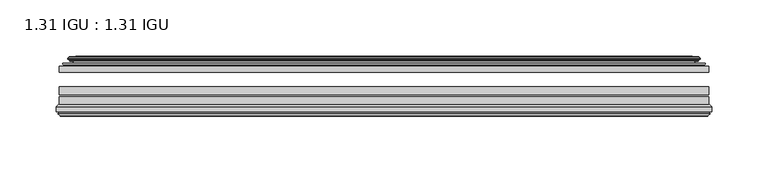
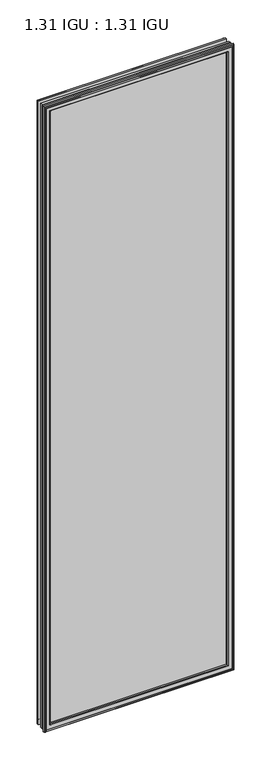
"""IFC4 building model written with IfcOpenShell, lengths in millimetres: plate geometry, 1.31 IGU : 1.31 IGU."""

from ifc_helpers import new_model, si_unit, frame, origin, place, context, project, spatial, polyline, ellipse_curve, outline, extrude, source, transform, mapped, element, save
from ifc_brep_helpers import plane_surface, cylinder_surface, revolved_surface, advanced_brep


def plate_1_31_igu_1_31_igu_3d679c7c(model_context):
    return source(origin(), model_context, "Body", "SolidModel", [
        extrude(outline(polyline([(287.3325649, -44.8960875), (287.3325649, -50.4332875), (-287.3375, -50.4332875), (-287.3375, -44.8960875), (287.3325649, -44.8960875)])), frame((0.0, 0.0, -14.2875), z_axis=(0.0, 0.0, 1.0), x_axis=(1.0, 0.0, 0.0)), (0.0, 0.0, 1.0), 2009.67848),
        extrude(outline(polyline([(-287.3375, -78.7796875), (-287.3375, -71.7692875), (287.3325649, -71.7692875), (287.3325649, -78.7796875), (-287.3375, -78.7796875)])), frame((0.0, 0.0, -14.2875), z_axis=(0.0, 0.0, 1.0), x_axis=(1.0, 0.0, 0.0)), (0.0, 0.0, 1.0), 2009.67848),
        extrude(outline(polyline([(-287.3375, -70.2452875), (-287.3375, -63.1332875), (287.3325649, -63.1332875), (287.3325649, -70.2452875), (-287.3375, -70.2452875)])), frame((0.0, 0.0, -14.2875), z_axis=(0.0, 0.0, 1.0), x_axis=(1.0, 0.0, 0.0)), (0.0, 0.0, 1.0), 2009.67848),
        advanced_brep(
        [(-277.9921755, -37.7373382, 1986.0456555), (-273.0505426, -36.3108875, 1981.1040226), (-273.0505426, -36.3108875, -0.0005426), (-277.9921755, -37.7373382, -4.9421755), (-277.8270702, -36.9605789, 1985.8805502), (-277.8270702, -36.9605789, -4.7770702), (-278.4225559, -36.4771203, 1986.4760359), (-278.4225559, -36.4771203, -5.3725559), (-279.6871917, -37.766076, 1987.7406717), (-279.6871917, -37.766076, -6.6371917), (-279.6763749, -38.8797852, 1987.7298549), (-279.6763749, -38.8797852, -6.6263749), (-278.3948897, -40.1361433, 1986.4483697), (-278.3948897, -40.1361433, -5.3448897), (-277.7898829, -39.649943, 1985.8433629), (-277.7898829, -39.649943, -4.7398829), (-278.3438972, -39.0959287, 1986.3973772), (-278.3438972, -39.0959287, -5.2938972), (-276.0580887, -38.7029881, 1984.1115687), (-276.0580887, -38.7029881, -3.0080887), (-274.5990157, -40.2107282, 1982.6524957), (-274.5990157, -40.2107282, -1.5490157), (-274.8955976, -41.651269, 1982.9490776), (-274.8955976, -41.651269, -1.8455976), (-275.6668221, -42.2798875, 1983.7203021), (-275.6668221, -42.2798875, -2.6168221), (-283.9707984, -43.4871542, 1992.0242784), (-283.6955969, -42.2798875, 1991.7490769), (-283.6955969, -42.2798875, -10.6455969), (-283.9707984, -43.4871542, -10.9207984), (-280.5132297, -44.8960875, 1988.5667097), (-280.5132297, -44.8960875, -7.4632297), (-269.4156059, -44.023302, 1977.4690859), (-269.7709439, -44.8960875, 1977.8244239), (-269.7709439, -44.8960875, 3.2790561), (-269.4156059, -44.023302, 3.6343941), (-270.086804, -43.3681812, 1978.140284), (-270.086804, -43.3681812, 2.963196), (-271.7275946, -40.6686056, 1979.7810746), (-271.7275946, -40.6686056, 1.3224054), (273.0505426, -36.3108875, -0.0005426), (277.9921755, -37.7373382, -4.9421755), (277.8270702, -36.9605789, -4.7770702), (278.4225559, -36.4771203, -5.3725559), (279.6871917, -37.766076, -6.6371917), (279.6763749, -38.8797852, -6.6263749), (278.3948897, -40.1361433, -5.3448897), (277.7898829, -39.649943, -4.7398829), (278.3438972, -39.0959287, -5.2938972), (276.0580887, -38.7029881, -3.0080887), (274.5990157, -40.2107282, -1.5490157), (274.8955976, -41.651269, -1.8455976), (275.6668221, -42.2798875, -2.6168221), (283.6955969, -42.2798875, -10.6455969), (283.9707984, -43.4871542, -10.9207984), (280.5132297, -44.8960875, -7.4632297), (269.7709439, -44.8960875, 3.2790561), (269.4156059, -44.023302, 3.6343941), (270.086804, -43.3681812, 2.963196), (271.7275946, -40.6686056, 1.3224054), (273.0505426, -36.3108875, 1981.1040226), (277.9921755, -37.7373382, 1986.0456555), (277.8270702, -36.9605789, 1985.8805502), (278.4225559, -36.4771203, 1986.4760359), (279.6871917, -37.766076, 1987.7406717), (279.6763749, -38.8797852, 1987.7298549), (278.3948897, -40.1361433, 1986.4483697), (277.7898829, -39.649943, 1985.8433629), (278.3438972, -39.0959287, 1986.3973772), (276.0580887, -38.7029881, 1984.1115687), (274.5990157, -40.2107282, 1982.6524957), (274.8955976, -41.651269, 1982.9490776), (275.6668221, -42.2798875, 1983.7203021), (283.6955969, -42.2798875, 1991.7490769), (283.9707984, -43.4871542, 1992.0242784), (280.5132297, -44.8960875, 1988.5667097), (269.7709439, -44.8960875, 1977.8244239), (269.4156059, -44.023302, 1977.4690859), (270.086804, -43.3681812, 1978.140284), (271.7275946, -40.6686056, 1979.7810746)],
        [
            (0, 1),
            (1, 2),
            (2, 3),
            (3, 0),
            (4, 0),
            (3, 5),
            (5, 4),
            (6, 4, ellipse_curve(frame((-278.1475871, -36.746901, 1986.2010671), z_axis=(-0.7071067811865475, 0.0, -0.7071067811865475), x_axis=(-0.7071067811865474, 0.0, 0.7071067811865476)), 0.5447741, 0.3852135)),
            (5, 7, ellipse_curve(frame((-278.1475871, -36.746901, -5.0975871), z_axis=(-0.7071067811865475, 0.0, 0.7071067811865475), x_axis=(0.7071067811865474, 0.0, 0.7071067811865476)), 0.5447741, 0.3852135)),
            (7, 6),
            (8, 6),
            (7, 9),
            (9, 8),
            (10, 8, ellipse_curve(frame((-279.1251387, -38.3175243, 1987.1786187), z_axis=(-0.7071067811865475, 0.0, -0.7071067811865475), x_axis=(-0.7071067811865474, 0.0, 0.7071067811865476)), 1.1135518, 0.7874)),
            (9, 11, ellipse_curve(frame((-279.1251387, -38.3175243, -6.0751387), z_axis=(-0.7071067811865475, 0.0, 0.7071067811865475), x_axis=(0.7071067811865474, 0.0, 0.7071067811865476)), 1.1135518, 0.7874)),
            (11, 10),
            (12, 10),
            (11, 13),
            (13, 12),
            (14, 12, ellipse_curve(frame((-278.1212922, -39.8570738, 1986.1747722), z_axis=(-0.7071067811865475, 0.0, -0.7071067811865475), x_axis=(-0.7071067811865474, 0.0, 0.7071067811865476)), 0.552694, 0.3908137)),
            (13, 15, ellipse_curve(frame((-278.1212922, -39.8570738, -5.0712922), z_axis=(-0.7071067811865475, 0.0, 0.7071067811865475), x_axis=(0.7071067811865474, 0.0, 0.7071067811865476)), 0.552694, 0.3908137)),
            (15, 14),
            (16, 14),
            (15, 17),
            (17, 16),
            (18, 16),
            (17, 19),
            (19, 18),
            (20, 18, ellipse_curve(frame((-275.8429261, -39.954629, 1983.8964061), z_axis=(0.7071067811865475, 0.0, 0.7071067811865475), x_axis=(0.7071067811865474, 0.0, -0.7071067811865476)), 1.7960512, 1.27)),
            (19, 21, ellipse_curve(frame((-275.8429261, -39.954629, -2.7929261), z_axis=(0.7071067811865475, 0.0, -0.7071067811865475), x_axis=(-0.7071067811865474, 0.0, -0.7071067811865476)), 1.7960512, 1.27)),
            (21, 20),
            (22, 20),
            (21, 23),
            (23, 22),
            (24, 22, ellipse_curve(frame((-275.6668221, -41.4924875, 1983.7203021), z_axis=(0.7071067811865475, 0.0, 0.7071067811865475), x_axis=(0.7071067811865474, 0.0, -0.7071067811865476)), 1.1135518, 0.7874)),
            (23, 25, ellipse_curve(frame((-275.6668221, -41.4924875, -2.6168221), z_axis=(0.7071067811865475, 0.0, -0.7071067811865475), x_axis=(-0.7071067811865474, 0.0, -0.7071067811865476)), 1.1135518, 0.7874)),
            (25, 24),
            (26, 27, ellipse_curve(frame((-283.6955969, -42.9148875, 1991.7490769), z_axis=(-0.7071067811865475, 0.0, -0.7071067811865475), x_axis=(-0.7071067811865474, 0.0, 0.7071067811865476)), 0.8980256, 0.635)),
            (27, 28),
            (28, 29, ellipse_curve(frame((-283.6955969, -42.9148875, -10.6455969), z_axis=(-0.7071067811865475, 0.0, 0.7071067811865475), x_axis=(0.7071067811865474, 0.0, 0.7071067811865476)), 0.8980256, 0.635)),
            (29, 26),
            (30, 26),
            (29, 31),
            (31, 30),
            (32, 33, ellipse_curve(frame((-269.7709439, -44.3873602, 1977.8244239), z_axis=(-0.7071067811865475, 0.0, -0.7071067811865475), x_axis=(-0.7071067811865474, 0.0, 0.7071067811865476)), 0.719449, 0.5087273)),
            (33, 34),
            (34, 35, ellipse_curve(frame((-269.7709439, -44.3873602, 3.2790561), z_axis=(-0.7071067811865475, 0.0, 0.7071067811865475), x_axis=(0.7071067811865474, 0.0, 0.7071067811865476)), 0.719449, 0.5087273)),
            (35, 32),
            (36, 32),
            (35, 37),
            (37, 36),
            (38, 36, ellipse_curve(frame((-265.6514298, -38.823959, 1973.7049098), z_axis=(0.7071067811865475, 0.0, 0.7071067811865475), x_axis=(0.7071067811865474, 0.0, -0.7071067811865476)), 8.9802561, 6.35)),
            (37, 39, ellipse_curve(frame((-265.6514298, -38.823959, 7.3985702), z_axis=(0.7071067811865475, 0.0, -0.7071067811865475), x_axis=(-0.7071067811865474, 0.0, -0.7071067811865476)), 8.9802561, 6.35)),
            (39, 38),
            (1, 38),
            (39, 2),
            (2, 40),
            (40, 41),
            (41, 3),
            (41, 42),
            (42, 5),
            (42, 43, ellipse_curve(frame((278.1475871, -36.746901, -5.0975871), z_axis=(-0.7071067811865475, 0.0, -0.7071067811865475), x_axis=(-0.7071067811865476, 0.0, 0.7071067811865474)), 0.5447741, 0.3852135)),
            (43, 7),
            (43, 44),
            (44, 9),
            (44, 45, ellipse_curve(frame((279.1251387, -38.3175243, -6.0751387), z_axis=(-0.7071067811865475, 0.0, -0.7071067811865475), x_axis=(-0.7071067811865476, 0.0, 0.7071067811865474)), 1.1135518, 0.7874)),
            (45, 11),
            (45, 46),
            (46, 13),
            (46, 47, ellipse_curve(frame((278.1212922, -39.8570738, -5.0712922), z_axis=(-0.7071067811865475, 0.0, -0.7071067811865475), x_axis=(-0.7071067811865476, 0.0, 0.7071067811865474)), 0.552694, 0.3908137)),
            (47, 15),
            (47, 48),
            (48, 17),
            (48, 49),
            (49, 19),
            (49, 50, ellipse_curve(frame((275.8429261, -39.954629, -2.7929261), z_axis=(0.7071067811865475, 0.0, 0.7071067811865475), x_axis=(0.7071067811865476, 0.0, -0.7071067811865474)), 1.7960512, 1.27)),
            (50, 21),
            (50, 51),
            (51, 23),
            (51, 52, ellipse_curve(frame((275.6668221, -41.4924875, -2.6168221), z_axis=(0.7071067811865475, 0.0, 0.7071067811865475), x_axis=(0.7071067811865476, 0.0, -0.7071067811865474)), 1.1135518, 0.7874)),
            (52, 25),
            (28, 53),
            (53, 54, ellipse_curve(frame((283.6955969, -42.9148875, -10.6455969), z_axis=(-0.7071067811865475, 0.0, -0.7071067811865475), x_axis=(-0.7071067811865476, 0.0, 0.7071067811865474)), 0.8980256, 0.635)),
            (54, 29),
            (54, 55),
            (55, 31),
            (34, 56),
            (56, 57, ellipse_curve(frame((269.7709439, -44.3873602, 3.2790561), z_axis=(-0.7071067811865475, 0.0, -0.7071067811865475), x_axis=(-0.7071067811865476, 0.0, 0.7071067811865474)), 0.719449, 0.5087273)),
            (57, 35),
            (57, 58),
            (58, 37),
            (58, 59, ellipse_curve(frame((265.6514298, -38.823959, 7.3985702), z_axis=(0.7071067811865475, 0.0, 0.7071067811865475), x_axis=(0.7071067811865476, 0.0, -0.7071067811865474)), 8.9802561, 6.35)),
            (59, 39),
            (59, 40),
            (40, 60),
            (60, 61),
            (61, 41),
            (61, 62),
            (62, 42),
            (62, 63, ellipse_curve(frame((278.1475871, -36.746901, 1986.2010671), z_axis=(0.7071067811865475, 0.0, -0.7071067811865475), x_axis=(-0.7071067811865474, 0.0, -0.7071067811865476)), 0.5447741, 0.3852135)),
            (63, 43),
            (63, 64),
            (64, 44),
            (64, 65, ellipse_curve(frame((279.1251387, -38.3175243, 1987.1786187), z_axis=(0.7071067811865475, 0.0, -0.7071067811865475), x_axis=(-0.7071067811865474, 0.0, -0.7071067811865476)), 1.1135518, 0.7874)),
            (65, 45),
            (65, 66),
            (66, 46),
            (66, 67, ellipse_curve(frame((278.1212922, -39.8570738, 1986.1747722), z_axis=(0.7071067811865475, 0.0, -0.7071067811865475), x_axis=(-0.7071067811865474, 0.0, -0.7071067811865476)), 0.552694, 0.3908137)),
            (67, 47),
            (67, 68),
            (68, 48),
            (68, 69),
            (69, 49),
            (69, 70, ellipse_curve(frame((275.8429261, -39.954629, 1983.8964061), z_axis=(-0.7071067811865475, 0.0, 0.7071067811865475), x_axis=(0.7071067811865474, 0.0, 0.7071067811865476)), 1.7960512, 1.27)),
            (70, 50),
            (70, 71),
            (71, 51),
            (71, 72, ellipse_curve(frame((275.6668221, -41.4924875, 1983.7203021), z_axis=(-0.7071067811865475, 0.0, 0.7071067811865475), x_axis=(0.7071067811865474, 0.0, 0.7071067811865476)), 1.1135518, 0.7874)),
            (72, 52),
            (53, 73),
            (73, 74, ellipse_curve(frame((283.6955969, -42.9148875, 1991.7490769), z_axis=(0.7071067811865475, 0.0, -0.7071067811865475), x_axis=(-0.7071067811865474, 0.0, -0.7071067811865476)), 0.8980256, 0.635)),
            (74, 54),
            (74, 75),
            (75, 55),
            (56, 76),
            (76, 77, ellipse_curve(frame((269.7709439, -44.3873602, 1977.8244239), z_axis=(0.7071067811865475, 0.0, -0.7071067811865475), x_axis=(-0.7071067811865474, 0.0, -0.7071067811865476)), 0.719449, 0.5087273)),
            (77, 57),
            (77, 78),
            (78, 58),
            (78, 79, ellipse_curve(frame((265.6514298, -38.823959, 1973.7049098), z_axis=(-0.7071067811865475, 0.0, 0.7071067811865475), x_axis=(0.7071067811865474, 0.0, 0.7071067811865476)), 8.9802561, 6.35)),
            (79, 59),
            (79, 60),
            (60, 1),
            (0, 61),
            (4, 62),
            (6, 63),
            (8, 64),
            (10, 65),
            (12, 66),
            (14, 67),
            (16, 68),
            (18, 69),
            (20, 70),
            (22, 71),
            (24, 72),
            (27, 73),
            (26, 74),
            (30, 75),
            (33, 76),
            (32, 77),
            (36, 78),
            (38, 79),
        ],
        [
            plane_surface(frame((-273.0505426, -36.3108875, 1981.1040226), z_axis=(-0.2773364928492854, 0.9607728502273877, 0.0), x_axis=(0.0, 0.0, -1.0))),
            plane_surface(frame((-277.9921755, -37.7373382, 1986.0456555), z_axis=(0.9781476007338358, -0.20791169081761768, 0.0), x_axis=(0.0, 0.0, -1.0))),
            cylinder_surface(frame((-278.1475871, -36.746901, 2012.85348), z_axis=(0.0, 0.0, 1.0), x_axis=(-1.0, 0.0, 0.0)), 0.3852135),
            plane_surface(frame((-278.4225559, -36.4771203, 1986.4760359), z_axis=(-0.7138087599382162, 0.7003406701280928, 0.0), x_axis=(0.0, 0.0, -1.0))),
            cylinder_surface(frame((-279.1251387, -38.3175243, 2012.85348), z_axis=(0.0, 0.0, 1.0), x_axis=(-1.0, 0.0, 0.0)), 0.7874),
            plane_surface(frame((-279.6763749, -38.8797852, 1987.7298549), z_axis=(-0.7000714109283732, -0.7140728391423082, 0.0), x_axis=(0.0, 0.0, -1.0))),
            cylinder_surface(frame((-278.1212922, -39.8570738, 2012.85348), z_axis=(0.0, 0.0, 1.0), x_axis=(-1.0, 0.0, 0.0)), 0.3908137),
            plane_surface(frame((-277.7898829, -39.649943, 1985.8433629), z_axis=(0.7071067811861126, 0.7071067811869826, 0.0), x_axis=(0.0, 0.0, -1.0))),
            plane_surface(frame((-278.3438972, -39.0959287, 1986.3973772), z_axis=(0.16941940671011485, -0.9855440449974789, 0.0), x_axis=(0.0, 0.0, -1.0))),
            revolved_surface(polyline([(-277.1129261, -39.954629, -4.062926082878221), (-277.1129261, -39.954629, 1985.1664060828782)]), (-275.8429261, -39.954629, 2012.85348), (0.0, 0.0, -1.0)),
            plane_surface(frame((-274.5990157, -40.2107282, 1982.6524957), z_axis=(-0.9794570432566897, 0.201652920670302, 0.0), x_axis=(0.0, 0.0, -1.0))),
            revolved_surface(polyline([(-276.4542221, -41.4924875, -3.4042221289826102), (-276.4542221, -41.4924875, 1984.5077021289826)]), (-275.6668221, -41.4924875, 2012.85348), (0.0, 0.0, -1.0)),
            cylinder_surface(frame((-283.6955969, -42.9148875, 2012.85348), z_axis=(0.0, 0.0, 1.0), x_axis=(-1.0, 0.0, 0.0)), 0.635),
            plane_surface(frame((-283.9707984, -43.4871542, 1992.0242784), z_axis=(-0.37736447542757934, -0.9260648209954139, 0.0), x_axis=(0.0, 0.0, -1.0))),
            cylinder_surface(frame((-269.7709439, -44.3873602, 2012.85348), z_axis=(0.0, 0.0, 1.0), x_axis=(-1.0, 0.0, 0.0)), 0.5087273),
            plane_surface(frame((-269.4156059, -44.023302, 1977.4690859), z_axis=(0.698484125849927, 0.7156255486884628, 0.0), x_axis=(0.0, 0.0, -1.0))),
            revolved_surface(polyline([(-272.00142980000004, -38.823959, 1.0485702148980636), (-272.00142980000004, -38.823959, 1980.054909785102)]), (-265.6514298, -38.823959, 2012.85348), (0.0, 0.0, -1.0)),
            plane_surface(frame((-271.7275946, -40.6686056, 1979.7810746), z_axis=(0.9568763473517009, 0.2904955350411896, 0.0), x_axis=(0.0, 0.0, -1.0))),
            plane_surface(frame((-273.0505426, -36.3108875, -0.0005426), z_axis=(0.0, 0.9607728502273868, -0.2773364928492885), x_axis=(1.0, 0.0, 0.0))),
            plane_surface(frame((-277.9921755, -37.7373382, -4.9421755), z_axis=(0.0, -0.20791169081761454, 0.9781476007338364), x_axis=(1.0, 0.0, 0.0))),
            cylinder_surface(frame((-304.8, -36.746901, -5.0975871), z_axis=(-1.0, 0.0, 0.0), x_axis=(0.0, 0.0, -1.0)), 0.3852135),
            plane_surface(frame((-278.4225559, -36.4771203, -5.3725559), z_axis=(0.0, 0.7003406701280904, -0.7138087599382185), x_axis=(1.0, 0.0, 0.0))),
            cylinder_surface(frame((-304.8, -38.3175243, -6.0751387), z_axis=(-1.0, 0.0, 0.0), x_axis=(0.0, 0.0, -1.0)), 0.7874),
            plane_surface(frame((-279.6763749, -38.8797852, -6.6263749), z_axis=(0.0, -0.7140728391423105, -0.7000714109283709), x_axis=(1.0, 0.0, 0.0))),
            cylinder_surface(frame((-304.8, -39.8570738, -5.0712922), z_axis=(-1.0, 0.0, 0.0), x_axis=(0.0, 0.0, -1.0)), 0.3908137),
            plane_surface(frame((-277.7898829, -39.649943, -4.7398829), z_axis=(0.0, 0.7071067811869849, 0.7071067811861103), x_axis=(1.0, 0.0, 0.0))),
            plane_surface(frame((-278.3438972, -39.0959287, -5.2938972), z_axis=(0.0, -0.9855440449974784, 0.16941940671011801), x_axis=(1.0, 0.0, 0.0))),
            revolved_surface(polyline([(277.11292608287835, -39.954629, -4.0629261), (-277.11292608287823, -39.954629, -4.0629261)]), (-304.8, -39.954629, -2.7929261), (1.0, 0.0, 0.0)),
            plane_surface(frame((-274.5990157, -40.2107282, -1.5490157), z_axis=(0.0, 0.20165292067029883, -0.9794570432566904), x_axis=(1.0, 0.0, 0.0))),
            revolved_surface(polyline([(276.4542221289824, -41.4924875, -3.4042220999999997), (-276.45422212898245, -41.4924875, -3.4042220999999997)]), (-304.8, -41.4924875, -2.6168221), (1.0, 0.0, 0.0)),
            cylinder_surface(frame((-304.8, -42.9148875, -10.6455969), z_axis=(-1.0, 0.0, 0.0), x_axis=(0.0, 0.0, -1.0)), 0.635),
            plane_surface(frame((-283.9707984, -43.4871542, -10.9207984), z_axis=(0.0, -0.9260648209954151, -0.37736447542757634), x_axis=(1.0, 0.0, 0.0))),
            cylinder_surface(frame((-304.8, -44.3873602, 3.2790561), z_axis=(-1.0, 0.0, 0.0), x_axis=(0.0, 0.0, -1.0)), 0.5087273),
            plane_surface(frame((-269.4156059, -44.023302, 3.6343941), z_axis=(0.0, 0.7156255486884651, 0.6984841258499247), x_axis=(1.0, 0.0, 0.0))),
            revolved_surface(polyline([(272.00142978510183, -38.823959, 1.0485702000000003), (-272.0014297851019, -38.823959, 1.0485702000000003)]), (-304.8, -38.823959, 7.3985702), (1.0, 0.0, 0.0)),
            plane_surface(frame((-271.7275946, -40.6686056, 1.3224054), z_axis=(0.0, 0.29049553504119263, 0.9568763473517), x_axis=(1.0, 0.0, 0.0))),
            plane_surface(frame((273.0505426, -36.3108875, -0.0005426), z_axis=(0.2773364928492916, 0.9607728502273859, 0.0), x_axis=(0.0, 0.0, 1.0))),
            plane_surface(frame((277.9921755, -37.7373382, -4.9421755), z_axis=(-0.9781476007338371, -0.2079116908176114, 0.0), x_axis=(0.0, 0.0, 1.0))),
            cylinder_surface(frame((278.1475871, -36.746901, -31.75), z_axis=(0.0, 0.0, -1.0), x_axis=(1.0, 0.0, 0.0)), 0.3852135),
            plane_surface(frame((278.4225559, -36.4771203, -5.3725559), z_axis=(0.7138087599382208, 0.7003406701280882, 0.0), x_axis=(0.0, 0.0, 1.0))),
            cylinder_surface(frame((279.1251387, -38.3175243, -31.75), z_axis=(0.0, 0.0, -1.0), x_axis=(1.0, 0.0, 0.0)), 0.7874),
            plane_surface(frame((279.6763749, -38.8797852, -6.6263749), z_axis=(0.7000714109283687, -0.7140728391423128, 0.0), x_axis=(0.0, 0.0, 1.0))),
            cylinder_surface(frame((278.1212922, -39.8570738, -31.75), z_axis=(0.0, 0.0, -1.0), x_axis=(1.0, 0.0, 0.0)), 0.3908137),
            plane_surface(frame((277.7898829, -39.649943, -4.7398829), z_axis=(-0.7071067811861079, 0.7071067811869872, 0.0), x_axis=(0.0, 0.0, 1.0))),
            plane_surface(frame((278.3438972, -39.0959287, -5.2938972), z_axis=(-0.16941940671012118, -0.9855440449974778, 0.0), x_axis=(0.0, 0.0, 1.0))),
            revolved_surface(polyline([(277.1129261, -39.954629, 1985.1664060828782), (277.1129261, -39.954629, -4.062926082878235)]), (275.8429261, -39.954629, -31.75), (0.0, 0.0, 1.0)),
            plane_surface(frame((274.5990157, -40.2107282, -1.5490157), z_axis=(0.979457043256691, 0.20165292067029567, 0.0), x_axis=(0.0, 0.0, 1.0))),
            revolved_surface(polyline([(276.4542221, -41.4924875, 1984.5077021289826), (276.4542221, -41.4924875, -3.404222128982486)]), (275.6668221, -41.4924875, -31.75), (0.0, 0.0, 1.0)),
            cylinder_surface(frame((283.6955969, -42.9148875, -31.75), z_axis=(0.0, 0.0, -1.0), x_axis=(1.0, 0.0, 0.0)), 0.635),
            plane_surface(frame((283.9707984, -43.4871542, -10.9207984), z_axis=(0.37736447542757334, -0.9260648209954163, 0.0), x_axis=(0.0, 0.0, 1.0))),
            cylinder_surface(frame((269.7709439, -44.3873602, -31.75), z_axis=(0.0, 0.0, -1.0), x_axis=(1.0, 0.0, 0.0)), 0.5087273),
            plane_surface(frame((269.4156059, -44.023302, 3.6343941), z_axis=(-0.6984841258499224, 0.7156255486884673, 0.0), x_axis=(0.0, 0.0, 1.0))),
            revolved_surface(polyline([(272.00142980000004, -38.823959, 1980.054909785102), (272.00142980000004, -38.823959, 1.0485702148981417)]), (265.6514298, -38.823959, -31.75), (0.0, 0.0, 1.0)),
            plane_surface(frame((271.7275946, -40.6686056, 1.3224054), z_axis=(-0.9568763473516991, 0.2904955350411957, 0.0), x_axis=(0.0, 0.0, 1.0))),
            plane_surface(frame((273.0505426, -36.3108875, 1981.1040226), z_axis=(0.0, 0.9607728502273868, 0.2773364928492885), x_axis=(-1.0, 0.0, 0.0))),
            plane_surface(frame((277.9921755, -37.7373382, 1986.0456555), z_axis=(0.0, -0.20791169081761454, -0.9781476007338364), x_axis=(-1.0, 0.0, 0.0))),
            cylinder_surface(frame((304.8, -36.746901, 1986.2010671), z_axis=(1.0, 0.0, 0.0), x_axis=(0.0, 0.0, 1.0)), 0.3852135),
            plane_surface(frame((278.4225559, -36.4771203, 1986.4760359), z_axis=(0.0, 0.7003406701280904, 0.7138087599382185), x_axis=(-1.0, 0.0, 0.0))),
            cylinder_surface(frame((304.8, -38.3175243, 1987.1786187), z_axis=(1.0, 0.0, 0.0), x_axis=(0.0, 0.0, 1.0)), 0.7874),
            plane_surface(frame((279.6763749, -38.8797852, 1987.7298549), z_axis=(0.0, -0.7140728391423106, 0.700071410928371), x_axis=(-1.0, 0.0, 0.0))),
            cylinder_surface(frame((304.8, -39.8570738, 1986.1747722), z_axis=(1.0, 0.0, 0.0), x_axis=(0.0, 0.0, 1.0)), 0.3908137),
            plane_surface(frame((277.7898829, -39.649943, 1985.8433629), z_axis=(0.0, 0.7071067811869849, -0.7071067811861103), x_axis=(-1.0, 0.0, 0.0))),
            plane_surface(frame((278.3438972, -39.0959287, 1986.3973772), z_axis=(0.0, -0.9855440449974784, -0.16941940671011801), x_axis=(-1.0, 0.0, 0.0))),
            revolved_surface(polyline([(-277.11292608287835, -39.954629, 1985.1664061), (277.11292608287823, -39.954629, 1985.1664061)]), (304.8, -39.954629, 1983.8964061), (-1.0, 0.0, 0.0)),
            plane_surface(frame((274.5990157, -40.2107282, 1982.6524957), z_axis=(0.0, 0.20165292067029883, 0.9794570432566904), x_axis=(-1.0, 0.0, 0.0))),
            revolved_surface(polyline([(-276.4542221289824, -41.4924875, 1984.5077021), (276.45422212898245, -41.4924875, 1984.5077021)]), (304.8, -41.4924875, 1983.7203021), (-1.0, 0.0, 0.0)),
            plane_surface(frame((275.6668221, -42.2798875, 1983.7203021), z_axis=(0.0, 1.0, 0.0), x_axis=(-1.0, 0.0, 0.0))),
            cylinder_surface(frame((304.8, -42.9148875, 1991.7490769), z_axis=(1.0, 0.0, 0.0), x_axis=(0.0, 0.0, 1.0)), 0.635),
            plane_surface(frame((283.9707984, -43.4871542, 1992.0242784), z_axis=(0.0, -0.9260648209954151, 0.37736447542757634), x_axis=(-1.0, 0.0, 0.0))),
            plane_surface(frame((280.5132297, -44.8960875, 1988.5667097), z_axis=(0.0, -1.0, 0.0), x_axis=(-1.0, 0.0, 0.0))),
            cylinder_surface(frame((304.8, -44.3873602, 1977.8244239), z_axis=(1.0, 0.0, 0.0), x_axis=(0.0, 0.0, 1.0)), 0.5087273),
            plane_surface(frame((269.4156059, -44.023302, 1977.4690859), z_axis=(0.0, 0.7156255486884651, -0.6984841258499247), x_axis=(-1.0, 0.0, 0.0))),
            revolved_surface(polyline([(-272.00142978510183, -38.823959, 1980.0549098), (272.0014297851019, -38.823959, 1980.0549098)]), (304.8, -38.823959, 1973.7049098), (-1.0, 0.0, 0.0)),
            plane_surface(frame((271.7275946, -40.6686056, 1979.7810746), z_axis=(0.0, 0.29049553504119263, -0.9568763473517), x_axis=(-1.0, 0.0, 0.0))),
        ],
        [
            (0, [[1, 2, 3, 4]]),
            (1, [[5, -4, 6, 7]]),
            (2, [[8, -7, 9, 10]]),
            (3, [[11, -10, 12, 13]]),
            (4, [[14, -13, 15, 16]]),
            (5, [[17, -16, 18, 19]]),
            (6, [[20, -19, 21, 22]]),
            (7, [[23, -22, 24, 25]]),
            (8, [[26, -25, 27, 28]]),
            (9, [[29, -28, 30, 31]]),
            (10, [[32, -31, 33, 34]]),
            (11, [[35, -34, 36, 37]]),
            (12, [[38, 39, 40, 41]]),
            (13, [[42, -41, 43, 44]]),
            (14, [[45, 46, 47, 48]]),
            (15, [[49, -48, 50, 51]]),
            (16, [[52, -51, 53, 54]]),
            (17, [[55, -54, 56, -2]]),
            (18, [[-3, 57, 58, 59]]),
            (19, [[-6, -59, 60, 61]]),
            (20, [[-9, -61, 62, 63]]),
            (21, [[-12, -63, 64, 65]]),
            (22, [[-15, -65, 66, 67]]),
            (23, [[-18, -67, 68, 69]]),
            (24, [[-21, -69, 70, 71]]),
            (25, [[-24, -71, 72, 73]]),
            (26, [[-27, -73, 74, 75]]),
            (27, [[-30, -75, 76, 77]]),
            (28, [[-33, -77, 78, 79]]),
            (29, [[-36, -79, 80, 81]]),
            (30, [[-40, 82, 83, 84]]),
            (31, [[-43, -84, 85, 86]]),
            (32, [[-47, 87, 88, 89]]),
            (33, [[-50, -89, 90, 91]]),
            (34, [[-53, -91, 92, 93]]),
            (35, [[-56, -93, 94, -57]]),
            (36, [[-58, 95, 96, 97]]),
            (37, [[-60, -97, 98, 99]]),
            (38, [[-62, -99, 100, 101]]),
            (39, [[-64, -101, 102, 103]]),
            (40, [[-66, -103, 104, 105]]),
            (41, [[-68, -105, 106, 107]]),
            (42, [[-70, -107, 108, 109]]),
            (43, [[-72, -109, 110, 111]]),
            (44, [[-74, -111, 112, 113]]),
            (45, [[-76, -113, 114, 115]]),
            (46, [[-78, -115, 116, 117]]),
            (47, [[-80, -117, 118, 119]]),
            (48, [[-83, 120, 121, 122]]),
            (49, [[-85, -122, 123, 124]]),
            (50, [[-88, 125, 126, 127]]),
            (51, [[-90, -127, 128, 129]]),
            (52, [[-92, -129, 130, 131]]),
            (53, [[-94, -131, 132, -95]]),
            (54, [[-96, 133, -1, 134]]),
            (55, [[-98, -134, -5, 135]]),
            (56, [[-100, -135, -8, 136]]),
            (57, [[-102, -136, -11, 137]]),
            (58, [[-104, -137, -14, 138]]),
            (59, [[-106, -138, -17, 139]]),
            (60, [[-108, -139, -20, 140]]),
            (61, [[-110, -140, -23, 141]]),
            (62, [[-112, -141, -26, 142]]),
            (63, [[-114, -142, -29, 143]]),
            (64, [[-116, -143, -32, 144]]),
            (65, [[-118, -144, -35, 145]]),
            (66, [[146, -120, -82, -39], [-81, -119, -145, -37]]),
            (67, [[-121, -146, -38, 147]]),
            (68, [[-123, -147, -42, 148]]),
            (69, [[-86, -124, -148, -44], [149, -125, -87, -46]]),
            (70, [[-126, -149, -45, 150]]),
            (71, [[-128, -150, -49, 151]]),
            (72, [[-130, -151, -52, 152]]),
            (73, [[-132, -152, -55, -133]]),
        ],
    ),
        advanced_brep(
        [(-270.3624494, -83.3389875, 1978.4159294), (-272.1375155, -85.1296875, 1980.1909955), (-272.1375155, -85.1296875, 0.9124845), (-270.3624494, -83.3389875, 2.6875506), (-269.3392401, -78.7796875, 1977.3927201), (-269.3392401, -78.7796875, 3.7107599), (-289.9199491, -80.9740477, 1997.9734291), (-287.7255889, -78.7796875, 1995.7790689), (-287.7255889, -78.7796875, -14.6755889), (-289.9199491, -80.9740477, -16.8699491), (-289.9199491, -85.1296875, 1997.9734291), (-289.9199491, -85.1296875, -16.8699491), (-287.3948889, -86.3747112, 1995.4483689), (-288.1461159, -85.1296875, 1996.1995959), (-288.1461159, -85.1296875, -15.0961159), (-287.3948889, -86.3747112, -14.3448889), (-287.0853598, -87.6502863, 1995.1388398), (-287.0853598, -87.6502863, -14.0353598), (-288.1034732, -87.2076396, 1996.1569532), (-288.1034732, -87.2076396, -15.0534732), (-286.4164838, -88.8840626, 1994.4699638), (-288.8981832, -87.2076396, 1996.9516632), (-288.8981832, -87.2076396, -15.8481832), (-286.4164838, -88.8840626, -13.3664838), (-284.2646584, -86.9401656, 1992.3181384), (-284.2646584, -86.9401656, -11.2146584), (-285.9720126, -87.5528811, 1994.0254926), (-285.0462314, -86.9401656, 1993.0997114), (-285.0462314, -86.9401656, -11.9962314), (-285.9720126, -87.5528811, -12.9220126), (-285.8886873, -86.2429356, 1993.9421673), (-285.8886873, -86.2429356, -12.8386873), (-285.2904492, -85.1296875, 1993.3439292), (-285.2904492, -85.1296875, -12.2404492), (272.1375155, -85.1296875, 0.9124845), (270.3624494, -83.3389875, 2.6875506), (269.3392401, -78.7796875, 3.7107599), (287.7255889, -78.7796875, -14.6755889), (289.9199491, -80.9740477, -16.8699491), (289.9199491, -85.1296875, -16.8699491), (288.1461159, -85.1296875, -15.0961159), (287.3948889, -86.3747112, -14.3448889), (287.0853598, -87.6502863, -14.0353598), (288.1034732, -87.2076396, -15.0534732), (288.8981832, -87.2076396, -15.8481832), (286.4164838, -88.8840626, -13.3664838), (284.2646584, -86.9401656, -11.2146584), (285.0462314, -86.9401656, -11.9962314), (285.9720126, -87.5528811, -12.9220126), (285.8886873, -86.2429356, -12.8386873), (285.2904492, -85.1296875, -12.2404492), (272.1375155, -85.1296875, 1980.1909955), (270.3624494, -83.3389875, 1978.4159294), (269.3392401, -78.7796875, 1977.3927201), (287.7255889, -78.7796875, 1995.7790689), (289.9199491, -80.9740477, 1997.9734291), (289.9199491, -85.1296875, 1997.9734291), (288.1461159, -85.1296875, 1996.1995959), (287.3948889, -86.3747112, 1995.4483689), (287.0853598, -87.6502863, 1995.1388398), (288.1034732, -87.2076396, 1996.1569532), (288.8981832, -87.2076396, 1996.9516632), (286.4164838, -88.8840626, 1994.4699638), (284.2646584, -86.9401656, 1992.3181384), (285.0462314, -86.9401656, 1993.0997114), (285.9720126, -87.5528811, 1994.0254926), (285.8886873, -86.2429356, 1993.9421673), (285.2904492, -85.1296875, 1993.3439292)],
        [
            (0, 1, ellipse_curve(frame((-272.3889505, -83.1053133, 1980.4424305), z_axis=(-0.7071067811865475, 0.0, -0.7071067811865475), x_axis=(-0.7071067811865474, 0.0, 0.7071067811865476)), 2.8848953, 2.039929)),
            (1, 2),
            (2, 3, ellipse_curve(frame((-272.3889505, -83.1053133, 0.6610495), z_axis=(-0.7071067811865475, 0.0, 0.7071067811865475), x_axis=(0.7071067811865474, 0.0, 0.7071067811865476)), 2.8848953, 2.039929)),
            (3, 0),
            (4, 0),
            (3, 5),
            (5, 4),
            (6, 7),
            (7, 8),
            (8, 9),
            (9, 6),
            (10, 6),
            (9, 11),
            (11, 10),
            (12, 13),
            (13, 14),
            (14, 15),
            (15, 12),
            (16, 12),
            (15, 17),
            (17, 16),
            (18, 16),
            (17, 19),
            (19, 18),
            (20, 21),
            (21, 22),
            (22, 23),
            (23, 20),
            (24, 20),
            (23, 25),
            (25, 24),
            (26, 27),
            (27, 28),
            (28, 29),
            (29, 26),
            (30, 26),
            (29, 31),
            (31, 30),
            (32, 30),
            (31, 33),
            (33, 32),
            (2, 34),
            (34, 35, ellipse_curve(frame((272.3889505, -83.1053133, 0.6610495), z_axis=(-0.7071067811865475, 0.0, -0.7071067811865475), x_axis=(-0.7071067811865476, 0.0, 0.7071067811865474)), 2.8848953, 2.039929)),
            (35, 3),
            (35, 36),
            (36, 5),
            (8, 37),
            (37, 38),
            (38, 9),
            (38, 39),
            (39, 11),
            (14, 40),
            (40, 41),
            (41, 15),
            (41, 42),
            (42, 17),
            (42, 43),
            (43, 19),
            (22, 44),
            (44, 45),
            (45, 23),
            (45, 46),
            (46, 25),
            (28, 47),
            (47, 48),
            (48, 29),
            (48, 49),
            (49, 31),
            (49, 50),
            (50, 33),
            (34, 51),
            (51, 52, ellipse_curve(frame((272.3889505, -83.1053133, 1980.4424305), z_axis=(0.7071067811865475, 0.0, -0.7071067811865475), x_axis=(-0.7071067811865474, 0.0, -0.7071067811865476)), 2.8848953, 2.039929)),
            (52, 35),
            (52, 53),
            (53, 36),
            (37, 54),
            (54, 55),
            (55, 38),
            (55, 56),
            (56, 39),
            (40, 57),
            (57, 58),
            (58, 41),
            (58, 59),
            (59, 42),
            (59, 60),
            (60, 43),
            (44, 61),
            (61, 62),
            (62, 45),
            (62, 63),
            (63, 46),
            (47, 64),
            (64, 65),
            (65, 48),
            (65, 66),
            (66, 49),
            (66, 67),
            (67, 50),
            (51, 1),
            (0, 52),
            (4, 53),
            (7, 54),
            (6, 55),
            (10, 56),
            (13, 57),
            (12, 58),
            (16, 59),
            (18, 60),
            (21, 61),
            (20, 62),
            (24, 63),
            (27, 64),
            (26, 65),
            (30, 66),
            (32, 67),
        ],
        [
            cylinder_surface(frame((-272.3889505, -83.1053133, 2012.85348), z_axis=(0.0, 0.0, 1.0), x_axis=(-1.0, 0.0, 0.0)), 2.039929),
            plane_surface(frame((-270.3624494, -83.3389875, 1978.4159294), z_axis=(0.9757302952562701, -0.21897577701451848, 0.0), x_axis=(0.0, 0.0, -1.0))),
            plane_surface(frame((-287.7255889, -78.7796875, 1995.7790689), z_axis=(-0.7071067811871722, 0.7071067811859229, 0.0), x_axis=(0.0, 0.0, -1.0))),
            plane_surface(frame((-289.9199491, -80.9740477, 1997.9734291), z_axis=(-1.0, 0.0, 0.0), x_axis=(0.0, 0.0, -1.0))),
            plane_surface(frame((-288.1461159, -85.1296875, 1996.1995959), z_axis=(-0.8562121193263807, -0.516624434883434, 0.0), x_axis=(0.0, 0.0, -1.0))),
            plane_surface(frame((-287.3948889, -86.3747112, 1995.4483689), z_axis=(-0.9717979666139347, -0.23581499546259124, 0.0), x_axis=(0.0, 0.0, -1.0))),
            plane_surface(frame((-287.0853598, -87.6502863, 1995.1388398), z_axis=(0.3987175451776161, 0.9170737806564615, 0.0), x_axis=(0.0, 0.0, -1.0))),
            plane_surface(frame((-288.8981832, -87.2076396, 1996.9516632), z_axis=(-0.5597655002239059, -0.8286510633306884, 0.0), x_axis=(0.0, 0.0, -1.0))),
            plane_surface(frame((-286.4164838, -88.8840626, 1994.4699638), z_axis=(0.6703456526761111, -0.7420489916024674, 0.0), x_axis=(0.0, 0.0, -1.0))),
            plane_surface(frame((-285.0462314, -86.9401656, 1993.0997114), z_axis=(-0.5519083205498945, 0.8339047941508642, 0.0), x_axis=(0.0, 0.0, -1.0))),
            plane_surface(frame((-285.9720126, -87.5528811, 1994.0254926), z_axis=(0.9979830161114805, -0.06348148984572212, 0.0), x_axis=(0.0, 0.0, -1.0))),
            plane_surface(frame((-285.8886873, -86.2429356, 1993.9421673), z_axis=(0.8808682216207324, -0.47336157019632297, 0.0), x_axis=(0.0, 0.0, -1.0))),
            cylinder_surface(frame((-304.8, -83.1053133, 0.6610495), z_axis=(-1.0, 0.0, 0.0), x_axis=(0.0, 0.0, -1.0)), 2.039929),
            plane_surface(frame((-270.3624494, -83.3389875, 2.6875506), z_axis=(0.0, -0.21897577701451534, 0.9757302952562708), x_axis=(1.0, 0.0, 0.0))),
            plane_surface(frame((-287.7255889, -78.7796875, -14.6755889), z_axis=(0.0, 0.7071067811859205, -0.7071067811871745), x_axis=(1.0, 0.0, 0.0))),
            plane_surface(frame((-289.9199491, -80.9740477, -16.8699491), z_axis=(0.0, 0.0, -1.0), x_axis=(1.0, 0.0, 0.0))),
            plane_surface(frame((-288.1461159, -85.1296875, -15.0961159), z_axis=(0.0, -0.5166244348834368, -0.8562121193263791), x_axis=(1.0, 0.0, 0.0))),
            plane_surface(frame((-287.3948889, -86.3747112, -14.3448889), z_axis=(0.0, -0.23581499546259438, -0.9717979666139339), x_axis=(1.0, 0.0, 0.0))),
            plane_surface(frame((-287.0853598, -87.6502863, -14.0353598), z_axis=(0.0, 0.9170737806564628, 0.39871754517761315), x_axis=(1.0, 0.0, 0.0))),
            plane_surface(frame((-288.8981832, -87.2076396, -15.8481832), z_axis=(0.0, -0.8286510633306902, -0.5597655002239033), x_axis=(1.0, 0.0, 0.0))),
            plane_surface(frame((-286.4164838, -88.8840626, -13.3664838), z_axis=(0.0, -0.7420489916024653, 0.6703456526761136), x_axis=(1.0, 0.0, 0.0))),
            plane_surface(frame((-285.0462314, -86.9401656, -11.9962314), z_axis=(0.0, 0.8339047941508624, -0.5519083205498971), x_axis=(1.0, 0.0, 0.0))),
            plane_surface(frame((-285.9720126, -87.5528811, -12.9220126), z_axis=(0.0, -0.0634814898457189, 0.9979830161114808), x_axis=(1.0, 0.0, 0.0))),
            plane_surface(frame((-285.8886873, -86.2429356, -12.8386873), z_axis=(0.0, -0.47336157019632014, 0.880868221620734), x_axis=(1.0, 0.0, 0.0))),
            cylinder_surface(frame((272.3889505, -83.1053133, -31.75), z_axis=(0.0, 0.0, -1.0), x_axis=(1.0, 0.0, 0.0)), 2.039929),
            plane_surface(frame((270.3624494, -83.3389875, 2.6875506), z_axis=(-0.9757302952562714, -0.2189757770145122, 0.0), x_axis=(0.0, 0.0, 1.0))),
            plane_surface(frame((287.7255889, -78.7796875, -14.6755889), z_axis=(0.7071067811871768, 0.7071067811859182, 0.0), x_axis=(0.0, 0.0, 1.0))),
            plane_surface(frame((289.9199491, -80.9740477, -16.8699491), z_axis=(1.0, 0.0, 0.0), x_axis=(0.0, 0.0, 1.0))),
            plane_surface(frame((288.1461159, -85.1296875, -15.0961159), z_axis=(0.8562121193263774, -0.5166244348834396, 0.0), x_axis=(0.0, 0.0, 1.0))),
            plane_surface(frame((287.3948889, -86.3747112, -14.3448889), z_axis=(0.9717979666139331, -0.23581499546259752, 0.0), x_axis=(0.0, 0.0, 1.0))),
            plane_surface(frame((287.0853598, -87.6502863, -14.0353598), z_axis=(-0.3987175451776102, 0.9170737806564642, 0.0), x_axis=(0.0, 0.0, 1.0))),
            plane_surface(frame((288.8981832, -87.2076396, -15.8481832), z_axis=(0.5597655002239006, -0.8286510633306919, 0.0), x_axis=(0.0, 0.0, 1.0))),
            plane_surface(frame((286.4164838, -88.8840626, -13.3664838), z_axis=(-0.6703456526761159, -0.7420489916024631, 0.0), x_axis=(0.0, 0.0, 1.0))),
            plane_surface(frame((285.0462314, -86.9401656, -11.9962314), z_axis=(0.5519083205498998, 0.8339047941508606, 0.0), x_axis=(0.0, 0.0, 1.0))),
            plane_surface(frame((285.9720126, -87.5528811, -12.9220126), z_axis=(-0.997983016111481, -0.06348148984571568, 0.0), x_axis=(0.0, 0.0, 1.0))),
            plane_surface(frame((285.8886873, -86.2429356, -12.8386873), z_axis=(-0.8808682216207355, -0.4733615701963173, 0.0), x_axis=(0.0, 0.0, 1.0))),
            cylinder_surface(frame((304.8, -83.1053133, 1980.4424305), z_axis=(1.0, 0.0, 0.0), x_axis=(0.0, 0.0, 1.0)), 2.039929),
            plane_surface(frame((270.3624494, -83.3389875, 1978.4159294), z_axis=(0.0, -0.21897577701451534, -0.9757302952562708), x_axis=(-1.0, 0.0, 0.0))),
            plane_surface(frame((269.3392401, -78.7796875, 1977.3927201), z_axis=(0.0, 1.0, 0.0), x_axis=(-1.0, 0.0, 0.0))),
            plane_surface(frame((287.7255889, -78.7796875, 1995.7790689), z_axis=(0.0, 0.7071067811859205, 0.7071067811871745), x_axis=(-1.0, 0.0, 0.0))),
            plane_surface(frame((289.9199491, -80.9740477, 1997.9734291), z_axis=(0.0, 0.0, 1.0), x_axis=(-1.0, 0.0, 0.0))),
            plane_surface(frame((289.9199491, -85.1296875, 1997.9734291), z_axis=(0.0, -1.0, 0.0), x_axis=(-1.0, 0.0, 0.0))),
            plane_surface(frame((288.1461159, -85.1296875, 1996.1995959), z_axis=(0.0, -0.5166244348834368, 0.8562121193263791), x_axis=(-1.0, 0.0, 0.0))),
            plane_surface(frame((287.3948889, -86.3747112, 1995.4483689), z_axis=(0.0, -0.23581499546259438, 0.9717979666139339), x_axis=(-1.0, 0.0, 0.0))),
            plane_surface(frame((287.0853598, -87.6502863, 1995.1388398), z_axis=(0.0, 0.9170737806564628, -0.39871754517761315), x_axis=(-1.0, 0.0, 0.0))),
            plane_surface(frame((288.1034732, -87.2076396, 1996.1569532), z_axis=(0.0, 1.0, 0.0), x_axis=(-1.0, 0.0, 0.0))),
            plane_surface(frame((288.8981832, -87.2076396, 1996.9516632), z_axis=(0.0, -0.8286510633306902, 0.5597655002239033), x_axis=(-1.0, 0.0, 0.0))),
            plane_surface(frame((286.4164838, -88.8840626, 1994.4699638), z_axis=(0.0, -0.7420489916024652, -0.6703456526761135), x_axis=(-1.0, 0.0, 0.0))),
            plane_surface(frame((284.2646584, -86.9401656, 1992.3181384), z_axis=(0.0, 1.0, 0.0), x_axis=(-1.0, 0.0, 0.0))),
            plane_surface(frame((285.0462314, -86.9401656, 1993.0997114), z_axis=(0.0, 0.8339047941508624, 0.5519083205498971), x_axis=(-1.0, 0.0, 0.0))),
            plane_surface(frame((285.9720126, -87.5528811, 1994.0254926), z_axis=(0.0, -0.0634814898457189, -0.9979830161114808), x_axis=(-1.0, 0.0, 0.0))),
            plane_surface(frame((285.8886873, -86.2429356, 1993.9421673), z_axis=(0.0, -0.47336157019632014, -0.880868221620734), x_axis=(-1.0, 0.0, 0.0))),
            plane_surface(frame((285.2904492, -85.1296875, 1993.3439292), z_axis=(0.0, -1.0, 0.0), x_axis=(-1.0, 0.0, 0.0))),
        ],
        [
            (0, [[1, 2, 3, 4]]),
            (1, [[5, -4, 6, 7]]),
            (2, [[8, 9, 10, 11]]),
            (3, [[12, -11, 13, 14]]),
            (4, [[15, 16, 17, 18]]),
            (5, [[19, -18, 20, 21]]),
            (6, [[22, -21, 23, 24]]),
            (7, [[25, 26, 27, 28]]),
            (8, [[29, -28, 30, 31]]),
            (9, [[32, 33, 34, 35]]),
            (10, [[36, -35, 37, 38]]),
            (11, [[39, -38, 40, 41]]),
            (12, [[-3, 42, 43, 44]]),
            (13, [[-6, -44, 45, 46]]),
            (14, [[-10, 47, 48, 49]]),
            (15, [[-13, -49, 50, 51]]),
            (16, [[-17, 52, 53, 54]]),
            (17, [[-20, -54, 55, 56]]),
            (18, [[-23, -56, 57, 58]]),
            (19, [[-27, 59, 60, 61]]),
            (20, [[-30, -61, 62, 63]]),
            (21, [[-34, 64, 65, 66]]),
            (22, [[-37, -66, 67, 68]]),
            (23, [[-40, -68, 69, 70]]),
            (24, [[-43, 71, 72, 73]]),
            (25, [[-45, -73, 74, 75]]),
            (26, [[-48, 76, 77, 78]]),
            (27, [[-50, -78, 79, 80]]),
            (28, [[-53, 81, 82, 83]]),
            (29, [[-55, -83, 84, 85]]),
            (30, [[-57, -85, 86, 87]]),
            (31, [[-60, 88, 89, 90]]),
            (32, [[-62, -90, 91, 92]]),
            (33, [[-65, 93, 94, 95]]),
            (34, [[-67, -95, 96, 97]]),
            (35, [[-69, -97, 98, 99]]),
            (36, [[-72, 100, -1, 101]]),
            (37, [[-74, -101, -5, 102]]),
            (38, [[103, -76, -47, -9], [-46, -75, -102, -7]]),
            (39, [[-77, -103, -8, 104]]),
            (40, [[-79, -104, -12, 105]]),
            (41, [[-51, -80, -105, -14], [106, -81, -52, -16]]),
            (42, [[-82, -106, -15, 107]]),
            (43, [[-84, -107, -19, 108]]),
            (44, [[-86, -108, -22, 109]]),
            (45, [[110, -88, -59, -26], [-58, -87, -109, -24]]),
            (46, [[-89, -110, -25, 111]]),
            (47, [[-91, -111, -29, 112]]),
            (48, [[113, -93, -64, -33], [-63, -92, -112, -31]]),
            (49, [[-94, -113, -32, 114]]),
            (50, [[-96, -114, -36, 115]]),
            (51, [[-98, -115, -39, 116]]),
            (52, [[-70, -99, -116, -41], [-100, -71, -42, -2]]),
        ],
    ),
    ])


if __name__ == "__main__":
    model = new_model("IFC4")
    model_context = context("Model", 3, world=origin())
    ifc_project = project(units=[si_unit("LENGTHUNIT", "METRE", prefix="MILLI")], contexts=[model_context])
    site = spatial("IfcSite", under=ifc_project)
    building = spatial("IfcBuilding", under=site)
    placement = place(None, origin())
    plate_1_31_igu_1_31_igu_shape = plate_1_31_igu_1_31_igu_3d679c7c(model_context)
    element("IfcPlate", 1, ObjectType="1.31 IGU : 1.31 IGU", at=placement, inside=building, context=model_context, shape_type="MappedRepresentation", body=[
        mapped(plate_1_31_igu_1_31_igu_shape, transform((0.0, 0.0, 0.0), x_axis=(1.0, 0.0, 0.0), y_axis=(0.0, 1.0, 0.0), z_axis=(0.0, 0.0, 1.0))),
    ])
    save(model, "model.ifc")
